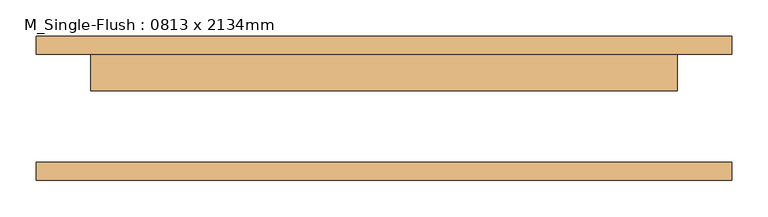
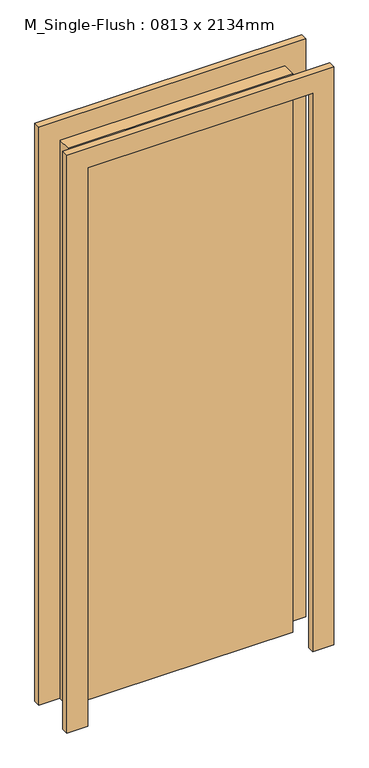
"""IFC4 building model written with IfcOpenShell, lengths in millimetres: door geometry, M_Single-Flush : 0813 x 2134mm."""

from ifc_helpers import new_model, si_unit, frame, origin, origin_with_axes, place, context, project, spatial, polyline, outline, extrude, source, transform, mapped, element, save


def m_single_flush_0813_x_2134mm_08ba7f87(model_context):
    return source(origin(), model_context, "Body", "SweptSolid", [
        extrude(outline(polyline([(2210.0, -482.5), (0.0, -482.5), (0.0, -406.5), (2134.0, -406.5), (2134.0, 406.5), (0.0, 406.5), (0.0, 482.5), (2210.0, 482.5), (2210.0, -482.5)])), frame((0.0, 75.0, 0.0), z_axis=(0.0, 1.0, 0.0), x_axis=(0.0, 0.0, 1.0)), (0.0, 0.0, 1.0), 25.0),
        extrude(outline(polyline([(2210.0, 482.5), (2210.0, -482.5), (0.0, -482.5), (0.0, -406.5), (2134.0, -406.5), (2134.0, 406.5), (0.0, 406.5), (0.0, 482.5), (2210.0, 482.5)])), frame((0.0, -100.0, 0.0), z_axis=(0.0, 1.0, 0.0), x_axis=(0.0, 0.0, 1.0)), (0.0, 0.0, 1.0), 25.0),
        extrude(outline(polyline([(406.5, 24.0), (-406.5, 24.0), (-406.5, 75.0), (406.5, 75.0), (406.5, 24.0)])), origin_with_axes(), (0.0, 0.0, 1.0), 2134.0),
    ])


if __name__ == "__main__":
    model = new_model("IFC4")
    model_context = context("Model", 3, world=origin())
    ifc_project = project(units=[si_unit("LENGTHUNIT", "METRE", prefix="MILLI")], contexts=[model_context])
    site = spatial("IfcSite", under=ifc_project)
    building = spatial("IfcBuilding", under=site)
    placement = place(None, origin())
    m_single_flush_0813_x_2134mm_shape = m_single_flush_0813_x_2134mm_08ba7f87(model_context)
    element("IfcDoor", 1, ObjectType="M_Single-Flush : 0813 x 2134mm", at=placement, inside=building, context=model_context, shape_type="MappedRepresentation", body=[
        mapped(m_single_flush_0813_x_2134mm_shape, transform((0.0, 0.0, 0.0), x_axis=(1.0, 0.0, 0.0), y_axis=(0.0, 1.0, 0.0), z_axis=(0.0, 0.0, 1.0))),
    ])
    save(model, "model.ifc")
